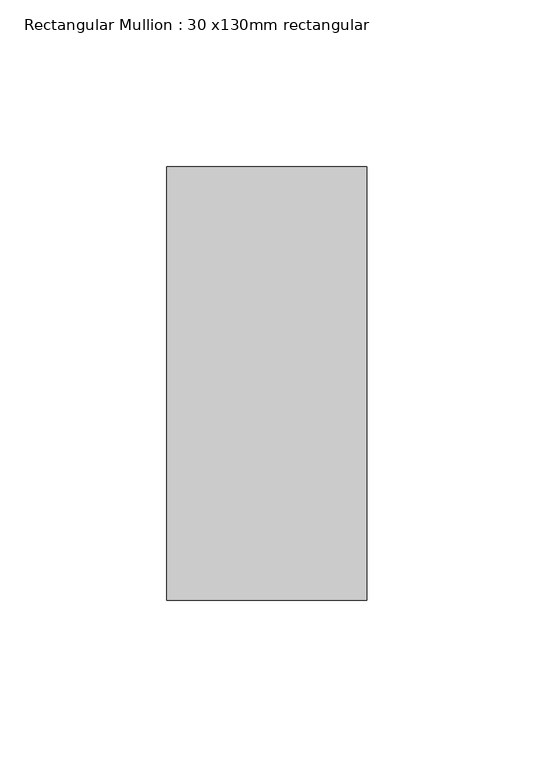
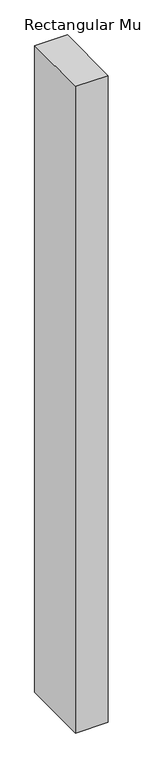
"""IFC4 building model written with IfcOpenShell, lengths in millimetres: member geometry, Rectangular Mullion : 30 x130mm rectangular."""

from ifc_helpers import new_model, si_unit, frame, origin, place, context, project, spatial, polyline, outline, extrude, source, transform, mapped, element, save


def rectangular_mullion_30_x130mm_rectangular_eaf2dc54(model_context):
    return source(origin(), model_context, "Body", "SweptSolid", [
        extrude(outline(polyline([(0.0, 65.0), (0.0, -65.0), (-60.0, -65.0), (-60.0, 65.0), (0.0, 65.0)])), frame((0.0, 0.0, -1255.7142857), z_axis=(0.0, 0.0, 1.0), x_axis=(1.0, 0.0, 0.0)), (0.0, 0.0, 1.0), 1255.7142857),
    ])


if __name__ == "__main__":
    model = new_model("IFC4")
    model_context = context("Model", 3, world=origin())
    ifc_project = project(units=[si_unit("LENGTHUNIT", "METRE", prefix="MILLI")], contexts=[model_context])
    site = spatial("IfcSite", under=ifc_project)
    building = spatial("IfcBuilding", under=site)
    placement = place(None, origin())
    rectangular_mullion_30_x130mm_rectangular_shape = rectangular_mullion_30_x130mm_rectangular_eaf2dc54(model_context)
    element("IfcMember", 1, ObjectType="Rectangular Mullion : 30 x130mm rectangular", at=placement, inside=building, context=model_context, shape_type="MappedRepresentation", body=[
        mapped(rectangular_mullion_30_x130mm_rectangular_shape, transform((0.0, 0.0, 0.0), x_axis=(1.0, 0.0, 0.0), y_axis=(0.0, 1.0, 0.0), z_axis=(0.0, 0.0, 1.0))),
    ])
    save(model, "model.ifc")
